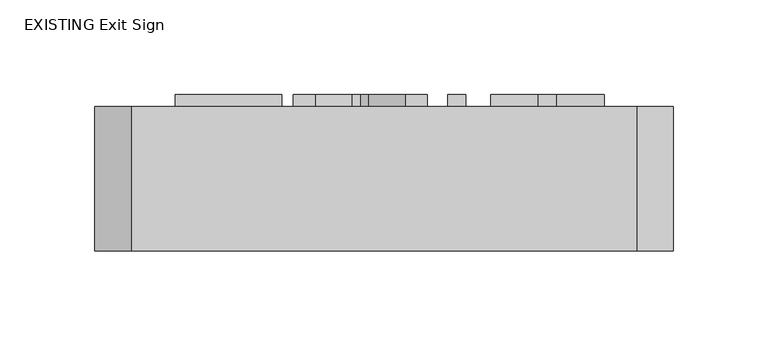
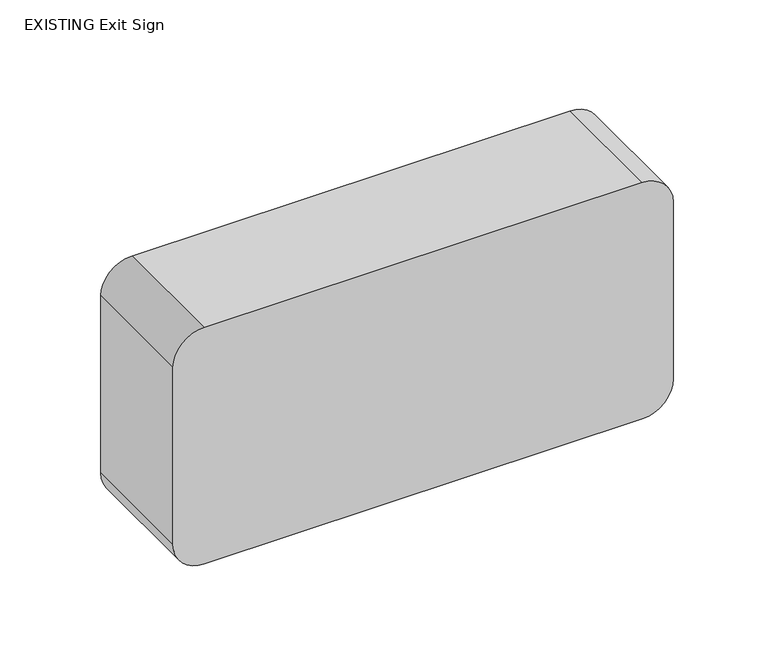
"""IFC4 building model written with IfcOpenShell, lengths in millimetres: light fixture geometry, EXISTING Exit Sign."""

from ifc_helpers import new_model, si_unit, point, frame, frame_2d, origin, place, context, project, spatial, polyline, circle_curve, trimmed, segment, composite_curve, outline, extrude, source, transform, mapped, element, save


def existing_exit_sign_605e9223(model_context):
    return source(origin(), model_context, "Body", "SweptSolid", [
        extrude(outline(polyline([(114.3, -110.0373307), (37.7522917, -110.0373307), (37.7522917, -55.0186654), (47.3207552, -55.0186654), (47.3207552, -100.4688672), (70.0458561, -100.4688672), (70.0458561, -57.4107813), (79.6143197, -57.4107813), (79.6143197, -100.4688672), (104.7315365, -100.4688672), (104.7315365, -53.8226074), (114.3, -53.8226074), (114.3, -110.0373307)])), frame((0.0, 38.1, 0.0), z_axis=(0.0, 1.0, 0.0), x_axis=(0.0, 0.0, 1.0)), (0.0, 0.0, 1.0), 6.35),
        extrude(outline(polyline([(114.3, -47.8423177), (72.5874792, -18.3333257), (37.7522917, -43.0580859), (37.7522917, -31.583405), (57.3564289, -17.6605431), (64.9999867, -12.9697533), (57.22561, -7.4753621), (37.7522917, 6.2979926), (37.7522917, 17.9408691), (72.6996097, -6.7838911), (114.3, 22.7251009), (114.3, 11.25042), (86.5664065, -8.4097824), (80.8103776, -12.5025432), (87.1270586, -17.0064489), (114.3, -36.1994412), (114.3, -47.8423177)])), frame((0.0, 38.1, 0.0), z_axis=(0.0, 1.0, 0.0), x_axis=(0.0, 0.0, 1.0)), (0.0, 0.0, 1.0), 6.35),
        extrude(outline(polyline([(33.4896224, 44.45), (43.0580859, 44.45), (43.0580859, 38.1), (33.4896224, 38.1), (33.4896224, 44.45)])), frame((0.0, 0.0, 37.7522917), z_axis=(0.0, 0.0, 1.0), x_axis=(1.0, 0.0, 0.0)), (0.0, 0.0, 1.0), 76.5477083),
        extrude(outline(polyline([(114.3, 81.3319401), (47.3207552, 81.3319401), (47.3207552, 56.2147233), (37.7522917, 56.2147233), (37.7522917, 116.0176204), (47.3207552, 116.0176204), (47.3207552, 90.9004036), (114.3, 90.9004036), (114.3, 81.3319401)])), frame((0.0, 38.1, 0.0), z_axis=(0.0, 1.0, 0.0), x_axis=(0.0, 0.0, 1.0)), (0.0, 0.0, 1.0), 6.35),
        extrude(outline(composite_curve([segment(polyline([(0.0, -133.35), (0.0, 133.35)]), True, "CONTINUOUS"), segment(trimmed(circle_curve(frame_2d((19.05, 133.35)), 19.05), [point((0.0, 133.35))], [point((19.05, 152.4))], False, "CARTESIAN"), True, "CONTINUOUS"), segment(polyline([(19.05, 152.4), (133.35, 152.4)]), True, "CONTINUOUS"), segment(trimmed(circle_curve(frame_2d((133.35, 133.35)), 19.05), [point((133.35, 152.4))], [point((152.4, 133.35))], False, "CARTESIAN"), True, "CONTINUOUS"), segment(polyline([(152.4, 133.35), (152.4, -133.35)]), True, "CONTINUOUS"), segment(trimmed(circle_curve(frame_2d((133.35, -133.35)), 19.05), [point((152.4, -133.35))], [point((133.35, -152.4))], False, "CARTESIAN"), True, "CONTINUOUS"), segment(polyline([(133.35, -152.4), (19.05, -152.4)]), True, "CONTINUOUS"), segment(trimmed(circle_curve(frame_2d((19.05, -133.35)), 19.05), [point((19.05, -152.4))], [point((0.0, -133.35))], False, "CARTESIAN"), True, "CONTINUOUS")], self_intersect=False)), frame((0.0, -38.1, 0.0), z_axis=(0.0, 1.0, 0.0), x_axis=(0.0, 0.0, 1.0)), (0.0, 0.0, 1.0), 76.2),
    ])


if __name__ == "__main__":
    model = new_model("IFC4")
    model_context = context("Model", 3, world=origin())
    ifc_project = project(units=[si_unit("LENGTHUNIT", "METRE", prefix="MILLI")], contexts=[model_context])
    site = spatial("IfcSite", under=ifc_project)
    building = spatial("IfcBuilding", under=site)
    placement = place(None, origin())
    existing_exit_sign_shape = existing_exit_sign_605e9223(model_context)
    element("IfcLightFixture", 1, ObjectType="EXISTING Exit Sign", at=placement, inside=building, context=model_context, shape_type="MappedRepresentation", body=[
        mapped(existing_exit_sign_shape, transform((0.0, 0.0, 0.0), x_axis=(1.0, 0.0, 0.0), y_axis=(0.0, 1.0, 0.0), z_axis=(0.0, 0.0, 1.0))),
    ])
    save(model, "model.ifc")
